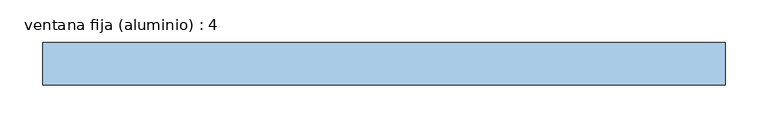
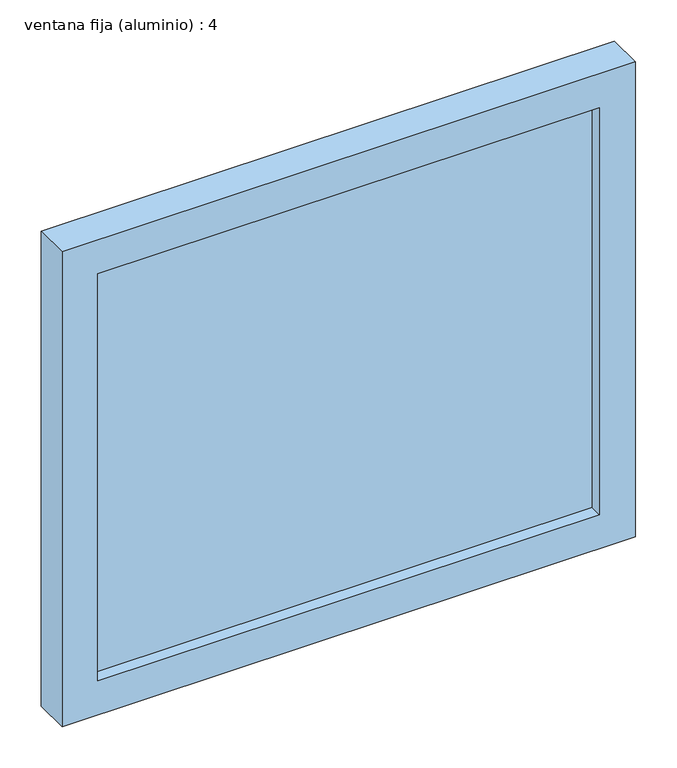
"""IFC4 building model written with IfcOpenShell, lengths in millimetres: window geometry, ventana fija (aluminio) : 4."""

import ifcopenshell
import ifcopenshell.guid

model = None  # the IFC model being written
_history = None  # IfcOwnerHistory: only IFC2X3 demands one
_inside = {}  # id of a spatial element -> (the spatial element, [elements in it])
_under = {}  # id of a project, library or spatial element -> (it, [spatial elements below it])
_declared = {}  # id of a project -> (the project, [libraries it declares])
_typed = {}  # id of a type object -> (the type object, [elements of that type])
_made_of = {}  # id of a material, layer set ... -> (it, [elements and type objects made of it])


def new_model(schema):
    """Start an empty IFC model of exactly this schema.

    Asked for "IFC4X3", IfcOpenShell would pick the latest addendum, in which some entities
    have other attributes; the version numbers below select the first issue.
    IFC2X3 requires an IfcOwnerHistory on every rooted entity: one is made here for all.
    """
    global model, _history
    if schema == "IFC4X3":
        model = ifcopenshell.file(schema_version=(4, 3, 0, 0))
    else:
        model = ifcopenshell.file(schema=schema)
    _inside.clear()
    _under.clear()
    _declared.clear()
    _typed.clear()
    _made_of.clear()
    _history = None
    if model.schema == "IFC2X3":
        org = make("IfcOrganization", Name="unknown")
        user = make(
            "IfcPersonAndOrganization",
            ThePerson=make("IfcPerson", FamilyName="unknown"),
            TheOrganization=org,
        )
        app = make(
            "IfcApplication",
            ApplicationDeveloper=org,
            Version="unknown",
            ApplicationFullName="unknown",
            ApplicationIdentifier="unknown",
        )
        _history = make(
            "IfcOwnerHistory",
            OwningUser=user,
            OwningApplication=app,
            ChangeAction="ADDED",
            CreationDate=0,
        )
    return model


def make(cls, **values):
    """One entity of the class cls with the attributes given. An attribute that is None is left unset."""
    return model.create_entity(
        cls, **{name: value for name, value in values.items() if value is not None}
    )


def rooted(cls, **values):
    """An entity with a GlobalId (a new one), such as an element, a storey or a relation."""
    return make(cls, GlobalId=ifcopenshell.guid.new(), OwnerHistory=_history, **values)


def si_unit(unit_type, name, prefix=None):
    """IfcSIUnit, for example si_unit("LENGTHUNIT", "METRE", prefix="MILLI")."""
    return make("IfcSIUnit", UnitType=unit_type, Prefix=prefix, Name=name)


def assignment(units):
    """IfcUnitAssignment: the units of a project."""
    return None if units is None else make("IfcUnitAssignment", Units=units)


def point(xyz):
    """IfcCartesianPoint."""
    return None if xyz is None else make("IfcCartesianPoint", Coordinates=xyz)


def direction(xyz):
    """IfcDirection."""
    return None if xyz is None else make("IfcDirection", DirectionRatios=xyz)


def frame(location, z_axis=None, x_axis=None):
    """IfcAxis2Placement3D, a coordinate frame: its origin and axes. An axis left out is left unset."""
    return make(
        "IfcAxis2Placement3D",
        Location=point(location),
        Axis=direction(z_axis),
        RefDirection=direction(x_axis),
    )


def origin():
    """The frame at (0, 0, 0) with its axes left unset."""
    return frame((0.0, 0.0, 0.0))


def place(relative_to, where):
    """IfcLocalPlacement: puts the frame where relative to a parent placement (None: the world)."""
    return make(
        "IfcLocalPlacement", PlacementRelTo=relative_to, RelativePlacement=where
    )


def context(
    kind, dimensions, precision=None, world=None, true_north=None, identifier=None
):
    """IfcGeometricRepresentationContext, for example the 3D "Model" context."""
    return make(
        "IfcGeometricRepresentationContext",
        ContextIdentifier=identifier,
        ContextType=kind,
        CoordinateSpaceDimension=dimensions,
        Precision=precision,
        WorldCoordinateSystem=world,
        TrueNorth=true_north,
    )


def project(units=None, contexts=None):
    """IfcProject with its units and contexts."""
    return rooted(
        "IfcProject",
        Name="project",
        RepresentationContexts=contexts,
        UnitsInContext=assignment(units),
    )


def spatial(cls, under=None, at=None, **own):
    """A site, building, storey or space (cls), placed at a placement, below another one or the project."""
    s = rooted(cls, ObjectPlacement=at, **own)
    if under is not None:
        _under.setdefault(under.id(), (under, []))[1].append(s)
    return s


def polyline(points):
    """IfcPolyline through the points."""
    return make("IfcPolyline", Points=[point(p) for p in points])


def outline(outer, holes=None, kind="AREA"):
    """IfcArbitraryClosedProfileDef: a profile drawn as a closed curve; with holes, ...WithVoids."""
    if holes is None:
        return make("IfcArbitraryClosedProfileDef", ProfileType=kind, OuterCurve=outer)
    return make(
        "IfcArbitraryProfileDefWithVoids",
        ProfileType=kind,
        OuterCurve=outer,
        InnerCurves=holes,
    )


def extrude(swept, where, along, depth):
    """IfcExtrudedAreaSolid: the profile swept, set in the frame where, extruded along a direction by depth."""
    return make(
        "IfcExtrudedAreaSolid",
        SweptArea=swept,
        Position=where,
        ExtrudedDirection=direction(along),
        Depth=depth,
    )


def shape(context_of_items, identifier, shape_type, items):
    """IfcShapeRepresentation: the items that make up one representation, for example the "Body"."""
    return make(
        "IfcShapeRepresentation",
        ContextOfItems=context_of_items,
        RepresentationIdentifier=identifier,
        RepresentationType=shape_type,
        Items=items,
    )


def source(mapping_origin, context_of_items, identifier, shape_type, items):
    """IfcRepresentationMap: a shape defined once, which mapped items show again and again."""
    return make(
        "IfcRepresentationMap",
        MappingOrigin=mapping_origin,
        MappedRepresentation=shape(context_of_items, identifier, shape_type, items),
    )


def transform(
    local_origin,
    x_axis=None,
    y_axis=None,
    z_axis=None,
    scale=None,
    scale2=None,
    scale3=None,
    uniform=True,
):
    """IfcCartesianTransformationOperator3D, or its non-uniform kind. x_axis, y_axis, z_axis: its Axis1, 2, 3."""
    if uniform:
        return make(
            "IfcCartesianTransformationOperator3D",
            Axis1=direction(x_axis),
            Axis2=direction(y_axis),
            LocalOrigin=point(local_origin),
            Scale=scale,
            Axis3=direction(z_axis),
        )
    return make(
        "IfcCartesianTransformationOperator3DnonUniform",
        Axis1=direction(x_axis),
        Axis2=direction(y_axis),
        LocalOrigin=point(local_origin),
        Scale=scale,
        Axis3=direction(z_axis),
        Scale2=scale2,
        Scale3=scale3,
    )


def mapped(mapping_source, mapping_target):
    """IfcMappedItem: shows the shape of a source again, moved by a transform."""
    return make(
        "IfcMappedItem", MappingSource=mapping_source, MappingTarget=mapping_target
    )


def made_of(thing, what):
    """Note that an element or type object is made of a material, layer set ...; save() writes the relation."""
    if what is not None:
        _made_of.setdefault(what.id(), (what, []))[1].append(thing)
    return thing


def element(
    cls,
    number,
    at=None,
    inside=None,
    cuts=None,
    type_object=None,
    material=None,
    context=None,
    identifier="Body",
    shape_type=None,
    held_by="IfcProductDefinitionShape",
    body=None,
    shapes=None,
    **own,
):
    """One element of the class cls, such as IfcWall. Its Tag is "e" and its number.

    at: its placement. inside: the storey or other place that contains it. cuts: it is an
    opening in that element (IfcRelVoidsElement). A single representation is given by context,
    identifier, shape_type and body (its items); several are given by shapes. held_by: the class
    of the entity that holds the representations. save() writes the other relations.
    """
    e = rooted(cls, Tag="e%d" % number, ObjectPlacement=at, **own)
    if body is not None:
        shapes = [shape(context, identifier, shape_type, body)]
    if shapes is not None:
        e.Representation = make(held_by, Representations=shapes)
    if inside is not None:
        _inside.setdefault(inside.id(), (inside, []))[1].append(e)
    if cuts is not None:
        rooted(
            "IfcRelVoidsElement", RelatingBuildingElement=cuts, RelatedOpeningElement=e
        )
    if type_object is not None:
        _typed.setdefault(type_object.id(), (type_object, []))[1].append(e)
    return made_of(e, material)


def aggregate(whole, parts):
    """IfcRelAggregates: a whole, such as a stair, and the parts it consists of."""
    return rooted("IfcRelAggregates", RelatingObject=whole, RelatedObjects=parts)


def save(model, path):
    """Write the relations noted so far, then the file.

    IfcRelAggregates (storeys below a building ...), IfcRelContainedInSpatialStructure (elements
    in a storey), IfcRelDefinesByType, IfcRelAssociatesMaterial and IfcRelDeclares: one each for
    every whole, place, type object, material and project.
    """
    for whole, parts in _under.values():
        aggregate(whole, parts)
    for where, things in _inside.values():
        rooted(
            "IfcRelContainedInSpatialStructure",
            RelatedElements=things,
            RelatingStructure=where,
        )
    for kind, things in _typed.values():
        rooted("IfcRelDefinesByType", RelatedObjects=things, RelatingType=kind)
    for what, things in _made_of.values():
        rooted("IfcRelAssociatesMaterial", RelatedObjects=things, RelatingMaterial=what)
    for by, libraries in _declared.values():
        rooted("IfcRelDeclares", RelatingContext=by, RelatedDefinitions=libraries)
    model.write(path)


def ventana_fija_aluminio_4_5e6a4dd3(model_context):
    return source(origin(), model_context, "Body", "SweptSolid", [
        extrude(outline(polyline([(350.0, 116.5), (-350.0, 116.5), (-350.0, 131.5), (350.0, 131.5), (350.0, 116.5)])), frame((0.0, 0.0, 850.0), z_axis=(0.0, 0.0, 1.0), x_axis=(1.0, 0.0, 0.0)), (0.0, 0.0, 1.0), 600.0),
        extrude(outline(polyline([(1500.0, -400.0), (800.0, -400.0), (800.0, 400.0), (1500.0, 400.0), (1500.0, -400.0)]), holes=[polyline([(1450.0, -350.0), (1450.0, 350.0), (850.0, 350.0), (850.0, -350.0), (1450.0, -350.0)])]), frame((0.0, 99.0, 0.0), z_axis=(0.0, 1.0, 0.0), x_axis=(0.0, 0.0, 1.0)), (0.0, 0.0, 1.0), 50.0),
    ])


if __name__ == "__main__":
    model = new_model("IFC4")
    model_context = context("Model", 3, world=origin())
    ifc_project = project(units=[si_unit("LENGTHUNIT", "METRE", prefix="MILLI")], contexts=[model_context])
    site = spatial("IfcSite", under=ifc_project)
    building = spatial("IfcBuilding", under=site)
    placement = place(None, origin())
    ventana_fija_aluminio_4_shape = ventana_fija_aluminio_4_5e6a4dd3(model_context)
    element("IfcWindow", 1, ObjectType="ventana fija (aluminio) : 4", at=placement, inside=building, context=model_context, shape_type="MappedRepresentation", body=[
        mapped(ventana_fija_aluminio_4_shape, transform((0.0, 0.0, 0.0), x_axis=(1.0, 0.0, 0.0), y_axis=(0.0, 1.0, 0.0), z_axis=(0.0, 0.0, 1.0))),
    ])
    save(model, "model.ifc")
